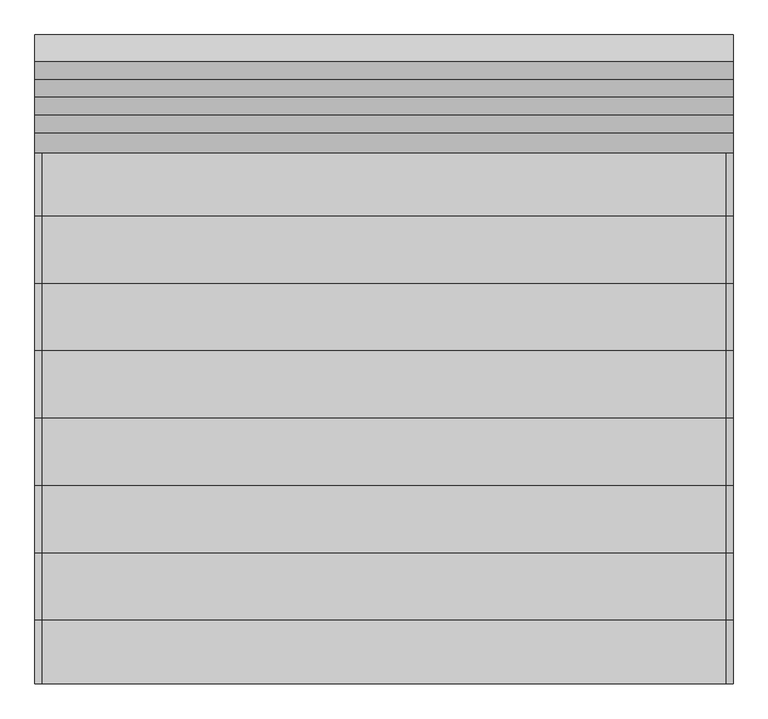
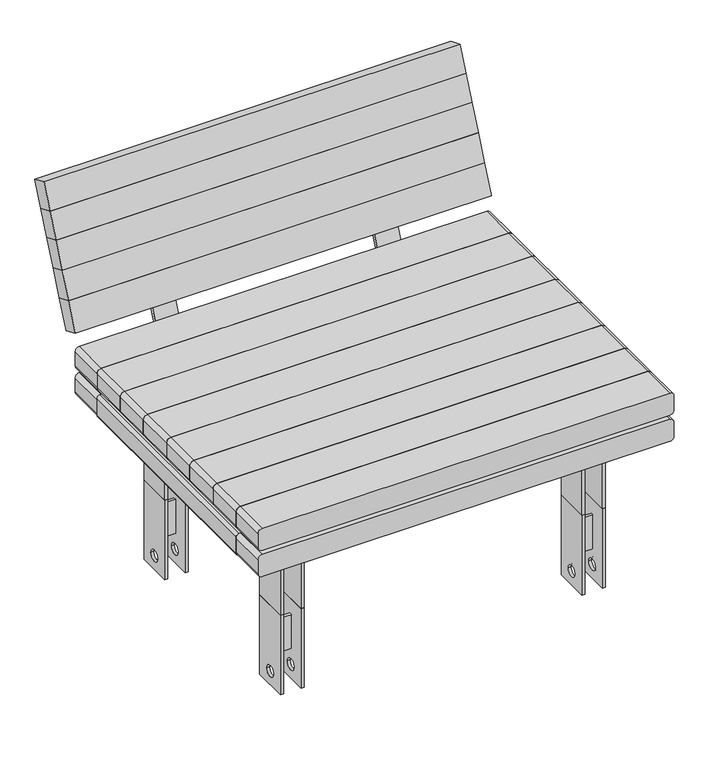
"""IFC4 building model written with IfcOpenShell, lengths in millimetres: furniture geometry."""

from ifc_helpers import new_model, si_unit, point, frame, frame_2d, origin, place, context, project, spatial, polyline, circle_curve, trimmed, segment, composite_curve, outline, extrude, source, transform, mapped, element, save


def furniture_a31cc09d(model_context):
    return source(origin(), model_context, "Body", "SweptSolid", [
        extrude(outline(composite_curve([segment(polyline([(748.3212957, 832.5994897), (702.296053, 852.1360461), (706.9848266, 863.1821043), (752.0895644, 844.036279)]), True, "CONTINUOUS"), segment(trimmed(circle_curve(frame_2d((747.0100597, 832.0697159)), 13.0), [point((752.0895644, 844.036279))], [point((758.9766228, 826.9902113))], False, "CARTESIAN"), True, "CONTINUOUS"), segment(polyline([(758.9766228, 826.9902113), (564.4903562, 368.80928)]), True, "CONTINUOUS"), segment(trimmed(circle_curve(frame_2d((543.3187446, 377.7960959)), 23.0), [point((564.4903562, 368.80928))], [point((543.3187446, 354.7960959))], False, "CARTESIAN"), True, "CONTINUOUS"), segment(polyline([(543.3187446, 354.7960959), (148.5421125, 354.7960959), (148.5421125, 366.7960959), (543.9806301, 366.7960959)]), True, "CONTINUOUS"), segment(trimmed(circle_curve(frame_2d((543.9806301, 376.7960959)), 10.0), [point((543.9806301, 366.7960959))], [point((553.1856787, 372.8887847))], True, "CARTESIAN"), True, "CONTINUOUS"), segment(polyline([(553.1856787, 372.8887847), (748.3212957, 832.5994897)]), True, "CONTINUOUS")], self_intersect=False)), frame((341.74, 0.0, 0.0), z_axis=(1.0, 0.0, 0.0), x_axis=(0.0, 1.0, 0.0)), (0.0, 0.0, 1.0), 80.0),
        extrude(outline(composite_curve([segment(polyline([(748.3212957, 832.5994897), (702.296053, 852.1360461), (706.9848266, 863.1821043), (752.0895644, 844.036279)]), True, "CONTINUOUS"), segment(trimmed(circle_curve(frame_2d((747.0100597, 832.0697159)), 13.0), [point((752.0895644, 844.036279))], [point((758.9766228, 826.9902113))], False, "CARTESIAN"), True, "CONTINUOUS"), segment(polyline([(758.9766228, 826.9902113), (564.4903562, 368.80928)]), True, "CONTINUOUS"), segment(trimmed(circle_curve(frame_2d((543.3187446, 377.7960959)), 23.0), [point((564.4903562, 368.80928))], [point((543.3187446, 354.7960959))], False, "CARTESIAN"), True, "CONTINUOUS"), segment(polyline([(543.3187446, 354.7960959), (148.5421125, 354.7960959), (148.5421125, 366.7960959), (543.9806301, 366.7960959)]), True, "CONTINUOUS"), segment(trimmed(circle_curve(frame_2d((543.9806301, 376.7960959)), 10.0), [point((543.9806301, 366.7960959))], [point((553.1856787, 372.8887847))], True, "CARTESIAN"), True, "CONTINUOUS"), segment(polyline([(553.1856787, 372.8887847), (748.3212957, 832.5994897)]), True, "CONTINUOUS")], self_intersect=False)), frame((-421.74, 0.0, 0.0), z_axis=(1.0, 0.0, 0.0), x_axis=(0.0, 1.0, 0.0)), (0.0, 0.0, 1.0), 80.0),
        extrude(outline(composite_curve([segment(trimmed(circle_curve(frame_2d((264.7960959, 477.689525)), 10.0), [point((264.7960959, 487.689525))], [point((274.7960959, 477.689525))], False, "CARTESIAN"), True, "CONTINUOUS"), segment(polyline([(274.7960959, 477.689525), (274.7960959, 437.641477), (264.9560959, 437.641477), (264.9560959, 477.849525), (0.0, 477.849525), (0.0, 487.689525), (264.7960959, 487.689525)]), True, "CONTINUOUS")], self_intersect=False)), frame((0.0, 283.5, 0.0), z_axis=(0.0, 1.0, 0.0), x_axis=(0.0, 0.0, 1.0)), (0.0, 0.0, 1.0), 123.0),
        extrude(outline(composite_curve([segment(polyline([(0.0, 558.145621), (264.9560959, 558.145621), (264.9560959, 598.3536689), (274.7960959, 598.3536689), (274.7960959, 558.305621)]), True, "CONTINUOUS"), segment(trimmed(circle_curve(frame_2d((264.7960959, 558.305621)), 10.0), [point((274.7960959, 558.305621))], [point((264.7960959, 548.305621))], False, "CARTESIAN"), True, "CONTINUOUS"), segment(polyline([(264.7960959, 548.305621), (0.0, 548.305621), (0.0, 558.145621)]), True, "CONTINUOUS")], self_intersect=False)), frame((0.0, 283.5, 0.0), z_axis=(0.0, 1.0, 0.0), x_axis=(0.0, 0.0, 1.0)), (0.0, 0.0, 1.0), 123.0),
        extrude(outline(composite_curve([segment(polyline([(264.7960959, -487.689525), (0.0, -487.689525), (0.0, -477.849525), (264.9560959, -477.849525), (264.9560959, -437.641477), (274.7960959, -437.641477), (274.7960959, -477.689525)]), True, "CONTINUOUS"), segment(trimmed(circle_curve(frame_2d((264.7960959, -477.689525)), 10.0), [point((274.7960959, -477.689525))], [point((264.7960959, -487.689525))], False, "CARTESIAN"), True, "CONTINUOUS")], self_intersect=False)), frame((0.0, 283.5, 0.0), z_axis=(0.0, 1.0, 0.0), x_axis=(0.0, 0.0, 1.0)), (0.0, 0.0, 1.0), 123.0),
        extrude(outline(composite_curve([segment(polyline([(0.0, -558.145621), (0.0, -548.305621), (264.7960959, -548.305621)]), True, "CONTINUOUS"), segment(trimmed(circle_curve(frame_2d((264.7960959, -558.305621)), 10.0), [point((264.7960959, -548.305621))], [point((274.7960959, -558.305621))], False, "CARTESIAN"), True, "CONTINUOUS"), segment(polyline([(274.7960959, -558.305621), (274.7960959, -598.3536689), (264.9560959, -598.3536689), (264.9560959, -558.145621), (0.0, -558.145621)]), True, "CONTINUOUS")], self_intersect=False)), frame((0.0, 283.5, 0.0), z_axis=(0.0, 1.0, 0.0), x_axis=(0.0, 0.0, 1.0)), (0.0, 0.0, 1.0), 123.0),
        extrude(outline(composite_curve([segment(trimmed(circle_curve(frame_2d((264.7960959, 477.689525)), 10.0), [point((264.7960959, 487.689525))], [point((274.7960959, 477.689525))], False, "CARTESIAN"), True, "CONTINUOUS"), segment(polyline([(274.7960959, 477.689525), (274.7960959, 437.641477), (264.9560959, 437.641477), (264.9560959, 477.849525), (0.0, 477.849525), (0.0, 487.689525), (264.7960959, 487.689525)]), True, "CONTINUOUS")], self_intersect=False)), frame((0.0, -406.5, 0.0), z_axis=(0.0, 1.0, 0.0), x_axis=(0.0, 0.0, 1.0)), (0.0, 0.0, 1.0), 123.0),
        extrude(outline(composite_curve([segment(polyline([(0.0, 558.145621), (264.9560959, 558.145621), (264.9560959, 598.3536689), (274.7960959, 598.3536689), (274.7960959, 558.305621)]), True, "CONTINUOUS"), segment(trimmed(circle_curve(frame_2d((264.7960959, 558.305621)), 10.0), [point((274.7960959, 558.305621))], [point((264.7960959, 548.305621))], False, "CARTESIAN"), True, "CONTINUOUS"), segment(polyline([(264.7960959, 548.305621), (0.0, 548.305621), (0.0, 558.145621)]), True, "CONTINUOUS")], self_intersect=False)), frame((0.0, -406.5, 0.0), z_axis=(0.0, 1.0, 0.0), x_axis=(0.0, 0.0, 1.0)), (0.0, 0.0, 1.0), 123.0),
        extrude(outline(composite_curve([segment(polyline([(344.7960959, 333.61), (284.7960959, 333.61)]), True, "CONTINUOUS"), segment(trimmed(circle_curve(frame_2d((284.7960959, 343.61)), 10.0), [point((284.7960959, 333.61))], [point((274.7960959, 343.61))], False, "CARTESIAN"), True, "CONTINUOUS"), segment(polyline([(274.7960959, 343.61), (274.7960959, 705.0)]), True, "CONTINUOUS"), segment(trimmed(circle_curve(frame_2d((284.7960959, 705.0)), 10.0), [point((274.7960959, 705.0))], [point((284.7960959, 715.0))], False, "CARTESIAN"), True, "CONTINUOUS"), segment(polyline([(284.7960959, 715.0), (344.7960959, 715.0)]), True, "CONTINUOUS"), segment(trimmed(circle_curve(frame_2d((344.7960959, 705.0)), 10.0), [point((344.7960959, 715.0))], [point((354.7960959, 705.0))], False, "CARTESIAN"), True, "CONTINUOUS"), segment(polyline([(354.7960959, 705.0), (354.7960959, 343.61)]), True, "CONTINUOUS"), segment(trimmed(circle_curve(frame_2d((344.7960959, 343.61)), 10.0), [point((354.7960959, 343.61))], [point((344.7960959, 333.61))], False, "CARTESIAN"), True, "CONTINUOUS")], self_intersect=False)), frame((0.0, -414.0, 0.0), z_axis=(0.0, 1.0, 0.0), x_axis=(0.0, 0.0, 1.0)), (0.0, 0.0, 1.0), 828.0),
        extrude(outline(composite_curve([segment(polyline([(264.7960959, -487.689525), (0.0, -487.689525), (0.0, -477.849525), (264.9560959, -477.849525), (264.9560959, -437.641477), (274.7960959, -437.641477), (274.7960959, -477.689525)]), True, "CONTINUOUS"), segment(trimmed(circle_curve(frame_2d((264.7960959, -477.689525)), 10.0), [point((274.7960959, -477.689525))], [point((264.7960959, -487.689525))], False, "CARTESIAN"), True, "CONTINUOUS")], self_intersect=False)), frame((0.0, -406.5, 0.0), z_axis=(0.0, 1.0, 0.0), x_axis=(0.0, 0.0, 1.0)), (0.0, 0.0, 1.0), 123.0),
        extrude(outline(composite_curve([segment(polyline([(0.0, -558.145621), (0.0, -548.305621), (264.7960959, -548.305621)]), True, "CONTINUOUS"), segment(trimmed(circle_curve(frame_2d((264.7960959, -558.305621)), 10.0), [point((264.7960959, -548.305621))], [point((274.7960959, -558.305621))], False, "CARTESIAN"), True, "CONTINUOUS"), segment(polyline([(274.7960959, -558.305621), (274.7960959, -598.3536689), (264.9560959, -598.3536689), (264.9560959, -558.145621), (0.0, -558.145621)]), True, "CONTINUOUS")], self_intersect=False)), frame((0.0, -406.5, 0.0), z_axis=(0.0, 1.0, 0.0), x_axis=(0.0, 0.0, 1.0)), (0.0, 0.0, 1.0), 123.0),
        extrude(outline(composite_curve([segment(trimmed(circle_curve(frame_2d((344.7960959, -343.61)), 10.0), [point((344.7960959, -333.61))], [point((354.7960959, -343.61))], False, "CARTESIAN"), True, "CONTINUOUS"), segment(polyline([(354.7960959, -343.61), (354.7960959, -705.0)]), True, "CONTINUOUS"), segment(trimmed(circle_curve(frame_2d((344.7960959, -705.0)), 10.0), [point((354.7960959, -705.0))], [point((344.7960959, -715.0))], False, "CARTESIAN"), True, "CONTINUOUS"), segment(polyline([(344.7960959, -715.0), (284.7960959, -715.0)]), True, "CONTINUOUS"), segment(trimmed(circle_curve(frame_2d((284.7960959, -705.0)), 10.0), [point((284.7960959, -715.0))], [point((274.7960959, -705.0))], False, "CARTESIAN"), True, "CONTINUOUS"), segment(polyline([(274.7960959, -705.0), (274.7960959, -343.61)]), True, "CONTINUOUS"), segment(trimmed(circle_curve(frame_2d((284.7960959, -343.61)), 10.0), [point((274.7960959, -343.61))], [point((284.7960959, -333.61))], False, "CARTESIAN"), True, "CONTINUOUS"), segment(polyline([(284.7960959, -333.61), (344.7960959, -333.61)]), True, "CONTINUOUS")], self_intersect=False)), frame((0.0, -414.0, 0.0), z_axis=(0.0, 1.0, 0.0), x_axis=(0.0, 0.0, 1.0)), (0.0, 0.0, 1.0), 828.0),
        extrude(outline(polyline([(0.0, -1430.0), (0.0, 0.0), (60.0, 0.0), (60.0, -1430.0), (0.0, -1430.0)])), frame((-715.0, 693.0910045, 856.0433574), z_axis=(0.0, 0.39073112848927966, 0.9205048534524378), x_axis=(0.0, 0.9205048534524378, -0.39073112848927966)), (0.0, 0.0, 1.0), 91.5133528),
        extrude(outline(polyline([(0.0, -1430.0), (0.0, 0.0), (60.0, 0.0), (60.0, -1430.0), (0.0, -1430.0)])), frame((-715.0, 657.5396892, 772.2897071), z_axis=(0.0, 0.39073112848927966, 0.9205048534524378), x_axis=(0.0, 0.9205048534524378, -0.39073112848927966)), (0.0, 0.0, 1.0), 90.9866472),
        extrude(outline(polyline([(0.0, -1430.0), (0.0, 0.0), (60.0, 0.0), (60.0, -1430.0), (0.0, -1430.0)])), frame((-715.0, 620.420232, 684.841746), z_axis=(0.0, 0.39073112848927966, 0.9205048534524378), x_axis=(0.0, 0.9205048534524378, -0.39073112848927966)), (0.0, 0.0, 1.0), 95.0),
        extrude(outline(polyline([(0.0, -1430.0), (0.0, 0.0), (60.0000001, 0.0), (60.0000001, -1430.0), (0.0, -1430.0)])), frame((-715.0, 583.3007747, 597.3937849), z_axis=(0.0, 0.39073112848928065, 0.9205048534524375), x_axis=(0.0, 0.9205048534524375, -0.39073112848928065)), (0.0, 0.0, 1.0), 95.0),
        extrude(outline(polyline([(0.0, -1430.0), (0.0, 0.0), (60.0000001, 0.0), (60.0000001, -1430.0), (0.0, -1430.0)])), frame((-715.0, 543.2564722, 503.0553201), z_axis=(0.0, 0.39073112848928065, 0.9205048534524375), x_axis=(0.0, 0.9205048534524375, -0.39073112848928065)), (0.0, 0.0, 1.0), 102.4855702),
        extrude(outline(composite_curve([segment(polyline([(354.7960959, 700.0), (354.7960959, -700.0)]), True, "CONTINUOUS"), segment(trimmed(circle_curve(frame_2d((339.7960959, -700.0)), 15.0), [point((354.7960959, -700.0))], [point((339.7960959, -715.0))], False, "CARTESIAN"), True, "CONTINUOUS"), segment(polyline([(339.7960959, -715.0), (289.7960959, -715.0)]), True, "CONTINUOUS"), segment(trimmed(circle_curve(frame_2d((289.7960959, -700.0)), 15.0), [point((289.7960959, -715.0))], [point((274.7960959, -700.0))], False, "CARTESIAN"), True, "CONTINUOUS"), segment(polyline([(274.7960959, -700.0), (274.7960959, 700.0)]), True, "CONTINUOUS"), segment(trimmed(circle_curve(frame_2d((289.7960959, 700.0)), 15.0), [point((274.7960959, 700.0))], [point((289.7960959, 715.0))], False, "CARTESIAN"), True, "CONTINUOUS"), segment(polyline([(289.7960959, 715.0), (339.7960959, 715.0)]), True, "CONTINUOUS"), segment(trimmed(circle_curve(frame_2d((339.7960959, 700.0)), 15.0), [point((339.7960959, 715.0))], [point((354.7960959, 700.0))], False, "CARTESIAN"), True, "CONTINUOUS")], self_intersect=False)), frame((0.0, 414.0, 0.0), z_axis=(0.0, 1.0, 0.0), x_axis=(0.0, 0.0, 1.0)), (0.0, 0.0, 1.0), 130.5),
        extrude(outline(composite_curve([segment(polyline([(449.7960959, 700.0), (449.7960959, -700.0)]), True, "CONTINUOUS"), segment(trimmed(circle_curve(frame_2d((434.7960959, -700.0)), 15.0), [point((449.7960959, -700.0))], [point((434.7960959, -715.0))], False, "CARTESIAN"), True, "CONTINUOUS"), segment(polyline([(434.7960959, -715.0), (384.7960959, -715.0)]), True, "CONTINUOUS"), segment(trimmed(circle_curve(frame_2d((384.7960959, -700.0)), 15.0), [point((384.7960959, -715.0))], [point((369.7960959, -700.0))], False, "CARTESIAN"), True, "CONTINUOUS"), segment(polyline([(369.7960959, -700.0), (369.7960959, 700.0)]), True, "CONTINUOUS"), segment(trimmed(circle_curve(frame_2d((384.7960959, 700.0)), 15.0), [point((369.7960959, 700.0))], [point((384.7960959, 715.0))], False, "CARTESIAN"), True, "CONTINUOUS"), segment(polyline([(384.7960959, 715.0), (434.7960959, 715.0)]), True, "CONTINUOUS"), segment(trimmed(circle_curve(frame_2d((434.7960959, 700.0)), 15.0), [point((434.7960959, 715.0))], [point((449.7960959, 700.0))], False, "CARTESIAN"), True, "CONTINUOUS")], self_intersect=False)), frame((0.0, 414.0, 0.0), z_axis=(0.0, 1.0, 0.0), x_axis=(0.0, 0.0, 1.0)), (0.0, 0.0, 1.0), 130.5),
        extrude(outline(composite_curve([segment(polyline([(449.7960959, 700.0), (449.7960959, -700.0)]), True, "CONTINUOUS"), segment(trimmed(circle_curve(frame_2d((434.7960959, -700.0)), 15.0), [point((449.7960959, -700.0))], [point((434.7960959, -715.0))], False, "CARTESIAN"), True, "CONTINUOUS"), segment(polyline([(434.7960959, -715.0), (384.7960959, -715.0)]), True, "CONTINUOUS"), segment(trimmed(circle_curve(frame_2d((384.7960959, -700.0)), 15.0), [point((384.7960959, -715.0))], [point((369.7960959, -700.0))], False, "CARTESIAN"), True, "CONTINUOUS"), segment(polyline([(369.7960959, -700.0), (369.7960959, 700.0)]), True, "CONTINUOUS"), segment(trimmed(circle_curve(frame_2d((384.7960959, 700.0)), 15.0), [point((369.7960959, 700.0))], [point((384.7960959, 715.0))], False, "CARTESIAN"), True, "CONTINUOUS"), segment(polyline([(384.7960959, 715.0), (434.7960959, 715.0)]), True, "CONTINUOUS"), segment(trimmed(circle_curve(frame_2d((434.7960959, 700.0)), 15.0), [point((434.7960959, 715.0))], [point((449.7960959, 700.0))], False, "CARTESIAN"), True, "CONTINUOUS")], self_intersect=False)), frame((0.0, 276.0, 0.0), z_axis=(0.0, 1.0, 0.0), x_axis=(0.0, 0.0, 1.0)), (0.0, 0.0, 1.0), 138.0),
        extrude(outline(composite_curve([segment(polyline([(449.7960959, 700.0), (449.7960959, -700.0)]), True, "CONTINUOUS"), segment(trimmed(circle_curve(frame_2d((434.7960959, -700.0)), 15.0), [point((449.7960959, -700.0))], [point((434.7960959, -715.0))], False, "CARTESIAN"), True, "CONTINUOUS"), segment(polyline([(434.7960959, -715.0), (384.7960959, -715.0)]), True, "CONTINUOUS"), segment(trimmed(circle_curve(frame_2d((384.7960959, -700.0)), 15.0), [point((384.7960959, -715.0))], [point((369.7960959, -700.0))], False, "CARTESIAN"), True, "CONTINUOUS"), segment(polyline([(369.7960959, -700.0), (369.7960959, 700.0)]), True, "CONTINUOUS"), segment(trimmed(circle_curve(frame_2d((384.7960959, 700.0)), 15.0), [point((369.7960959, 700.0))], [point((384.7960959, 715.0))], False, "CARTESIAN"), True, "CONTINUOUS"), segment(polyline([(384.7960959, 715.0), (434.7960959, 715.0)]), True, "CONTINUOUS"), segment(trimmed(circle_curve(frame_2d((434.7960959, 700.0)), 15.0), [point((434.7960959, 715.0))], [point((449.7960959, 700.0))], False, "CARTESIAN"), True, "CONTINUOUS")], self_intersect=False)), frame((0.0, 138.0, 0.0), z_axis=(0.0, 1.0, 0.0), x_axis=(0.0, 0.0, 1.0)), (0.0, 0.0, 1.0), 138.0),
        extrude(outline(composite_curve([segment(polyline([(449.7960959, 700.0), (449.7960959, -700.0)]), True, "CONTINUOUS"), segment(trimmed(circle_curve(frame_2d((434.7960959, -700.0)), 15.0), [point((449.7960959, -700.0))], [point((434.7960959, -715.0))], False, "CARTESIAN"), True, "CONTINUOUS"), segment(polyline([(434.7960959, -715.0), (384.7960959, -715.0)]), True, "CONTINUOUS"), segment(trimmed(circle_curve(frame_2d((384.7960959, -700.0)), 15.0), [point((384.7960959, -715.0))], [point((369.7960959, -700.0))], False, "CARTESIAN"), True, "CONTINUOUS"), segment(polyline([(369.7960959, -700.0), (369.7960959, 700.0)]), True, "CONTINUOUS"), segment(trimmed(circle_curve(frame_2d((384.7960959, 700.0)), 15.0), [point((369.7960959, 700.0))], [point((384.7960959, 715.0))], False, "CARTESIAN"), True, "CONTINUOUS"), segment(polyline([(384.7960959, 715.0), (434.7960959, 715.0)]), True, "CONTINUOUS"), segment(trimmed(circle_curve(frame_2d((434.7960959, 700.0)), 15.0), [point((434.7960959, 715.0))], [point((449.7960959, 700.0))], False, "CARTESIAN"), True, "CONTINUOUS")], self_intersect=False)), frame((0.0, 0.0, 0.0), z_axis=(0.0, 1.0, 0.0), x_axis=(0.0, 0.0, 1.0)), (0.0, 0.0, 1.0), 138.0),
        extrude(outline(composite_curve([segment(polyline([(449.7960959, 700.0), (449.7960959, -700.0)]), True, "CONTINUOUS"), segment(trimmed(circle_curve(frame_2d((434.7960959, -700.0)), 15.0), [point((449.7960959, -700.0))], [point((434.7960959, -715.0))], False, "CARTESIAN"), True, "CONTINUOUS"), segment(polyline([(434.7960959, -715.0), (384.7960959, -715.0)]), True, "CONTINUOUS"), segment(trimmed(circle_curve(frame_2d((384.7960959, -700.0)), 15.0), [point((384.7960959, -715.0))], [point((369.7960959, -700.0))], False, "CARTESIAN"), True, "CONTINUOUS"), segment(polyline([(369.7960959, -700.0), (369.7960959, 700.0)]), True, "CONTINUOUS"), segment(trimmed(circle_curve(frame_2d((384.7960959, 700.0)), 15.0), [point((369.7960959, 700.0))], [point((384.7960959, 715.0))], False, "CARTESIAN"), True, "CONTINUOUS"), segment(polyline([(384.7960959, 715.0), (434.7960959, 715.0)]), True, "CONTINUOUS"), segment(trimmed(circle_curve(frame_2d((434.7960959, 700.0)), 15.0), [point((434.7960959, 715.0))], [point((449.7960959, 700.0))], False, "CARTESIAN"), True, "CONTINUOUS")], self_intersect=False)), frame((0.0, -138.0, 0.0), z_axis=(0.0, 1.0, 0.0), x_axis=(0.0, 0.0, 1.0)), (0.0, 0.0, 1.0), 138.0),
        extrude(outline(composite_curve([segment(polyline([(449.7960959, 700.0), (449.7960959, -700.0)]), True, "CONTINUOUS"), segment(trimmed(circle_curve(frame_2d((434.7960959, -700.0)), 15.0), [point((449.7960959, -700.0))], [point((434.7960959, -715.0))], False, "CARTESIAN"), True, "CONTINUOUS"), segment(polyline([(434.7960959, -715.0), (384.7960959, -715.0)]), True, "CONTINUOUS"), segment(trimmed(circle_curve(frame_2d((384.7960959, -700.0)), 15.0), [point((384.7960959, -715.0))], [point((369.7960959, -700.0))], False, "CARTESIAN"), True, "CONTINUOUS"), segment(polyline([(369.7960959, -700.0), (369.7960959, 700.0)]), True, "CONTINUOUS"), segment(trimmed(circle_curve(frame_2d((384.7960959, 700.0)), 15.0), [point((369.7960959, 700.0))], [point((384.7960959, 715.0))], False, "CARTESIAN"), True, "CONTINUOUS"), segment(polyline([(384.7960959, 715.0), (434.7960959, 715.0)]), True, "CONTINUOUS"), segment(trimmed(circle_curve(frame_2d((434.7960959, 700.0)), 15.0), [point((434.7960959, 715.0))], [point((449.7960959, 700.0))], False, "CARTESIAN"), True, "CONTINUOUS")], self_intersect=False)), frame((0.0, -276.0, 0.0), z_axis=(0.0, 1.0, 0.0), x_axis=(0.0, 0.0, 1.0)), (0.0, 0.0, 1.0), 138.0),
        extrude(outline(composite_curve([segment(polyline([(449.7960959, 700.0), (449.7960959, -700.0)]), True, "CONTINUOUS"), segment(trimmed(circle_curve(frame_2d((434.7960959, -700.0)), 15.0), [point((449.7960959, -700.0))], [point((434.7960959, -715.0))], False, "CARTESIAN"), True, "CONTINUOUS"), segment(polyline([(434.7960959, -715.0), (384.7960959, -715.0)]), True, "CONTINUOUS"), segment(trimmed(circle_curve(frame_2d((384.7960959, -700.0)), 15.0), [point((384.7960959, -715.0))], [point((369.7960959, -700.0))], False, "CARTESIAN"), True, "CONTINUOUS"), segment(polyline([(369.7960959, -700.0), (369.7960959, 700.0)]), True, "CONTINUOUS"), segment(trimmed(circle_curve(frame_2d((384.7960959, 700.0)), 15.0), [point((369.7960959, 700.0))], [point((384.7960959, 715.0))], False, "CARTESIAN"), True, "CONTINUOUS"), segment(polyline([(384.7960959, 715.0), (434.7960959, 715.0)]), True, "CONTINUOUS"), segment(trimmed(circle_curve(frame_2d((434.7960959, 700.0)), 15.0), [point((434.7960959, 715.0))], [point((449.7960959, 700.0))], False, "CARTESIAN"), True, "CONTINUOUS")], self_intersect=False)), frame((0.0, -414.0, 0.0), z_axis=(0.0, 1.0, 0.0), x_axis=(0.0, 0.0, 1.0)), (0.0, 0.0, 1.0), 138.0),
        extrude(outline(composite_curve([segment(polyline([(354.7960959, 700.0), (354.7960959, -700.0)]), True, "CONTINUOUS"), segment(trimmed(circle_curve(frame_2d((339.7960959, -700.0)), 15.0), [point((354.7960959, -700.0))], [point((339.7960959, -715.0))], False, "CARTESIAN"), True, "CONTINUOUS"), segment(polyline([(339.7960959, -715.0), (289.7960959, -715.0)]), True, "CONTINUOUS"), segment(trimmed(circle_curve(frame_2d((289.7960959, -700.0)), 15.0), [point((289.7960959, -715.0))], [point((274.7960959, -700.0))], False, "CARTESIAN"), True, "CONTINUOUS"), segment(polyline([(274.7960959, -700.0), (274.7960959, 700.0)]), True, "CONTINUOUS"), segment(trimmed(circle_curve(frame_2d((289.7960959, 700.0)), 15.0), [point((274.7960959, 700.0))], [point((289.7960959, 715.0))], False, "CARTESIAN"), True, "CONTINUOUS"), segment(polyline([(289.7960959, 715.0), (339.7960959, 715.0)]), True, "CONTINUOUS"), segment(trimmed(circle_curve(frame_2d((339.7960959, 700.0)), 15.0), [point((339.7960959, 715.0))], [point((354.7960959, 700.0))], False, "CARTESIAN"), True, "CONTINUOUS")], self_intersect=False)), frame((0.0, -544.5, 0.0), z_axis=(0.0, 1.0, 0.0), x_axis=(0.0, 0.0, 1.0)), (0.0, 0.0, 1.0), 130.5),
        extrude(outline(composite_curve([segment(polyline([(449.7960959, 700.0), (449.7960959, -700.0)]), True, "CONTINUOUS"), segment(trimmed(circle_curve(frame_2d((434.7960959, -700.0)), 15.0), [point((449.7960959, -700.0))], [point((434.7960959, -715.0))], False, "CARTESIAN"), True, "CONTINUOUS"), segment(polyline([(434.7960959, -715.0), (384.7960959, -715.0)]), True, "CONTINUOUS"), segment(trimmed(circle_curve(frame_2d((384.7960959, -700.0)), 15.0), [point((384.7960959, -715.0))], [point((369.7960959, -700.0))], False, "CARTESIAN"), True, "CONTINUOUS"), segment(polyline([(369.7960959, -700.0), (369.7960959, 700.0)]), True, "CONTINUOUS"), segment(trimmed(circle_curve(frame_2d((384.7960959, 700.0)), 15.0), [point((369.7960959, 700.0))], [point((384.7960959, 715.0))], False, "CARTESIAN"), True, "CONTINUOUS"), segment(polyline([(384.7960959, 715.0), (434.7960959, 715.0)]), True, "CONTINUOUS"), segment(trimmed(circle_curve(frame_2d((434.7960959, 700.0)), 15.0), [point((434.7960959, 715.0))], [point((449.7960959, 700.0))], False, "CARTESIAN"), True, "CONTINUOUS")], self_intersect=False)), frame((0.0, -544.5, 0.0), z_axis=(0.0, 1.0, 0.0), x_axis=(0.0, 0.0, 1.0)), (0.0, 0.0, 1.0), 130.5),
        extrude(outline(polyline([(487.645621, 349.72), (548.305621, 349.72), (548.305621, 339.88), (487.645621, 339.88), (487.645621, 349.72)])), frame((0.0, 0.0, -179.4936681), z_axis=(0.0, 0.0, 1.0), x_axis=(1.0, 0.0, 0.0)), (0.0, 0.0, 1.0), 123.0),
        extrude(outline(polyline([(406.5, 0.0), (406.5, -289.1936681), (283.5, -289.1936681), (283.5, 0.0), (406.5, 0.0)]), holes=[composite_curve([segment(trimmed(circle_curve(frame_2d((345.0206592, -239.1282047)), 20.0), [point((325.0206592, -239.1282047))], [point((365.0206592, -239.1282047))], True, "CARTESIAN"), True, "CONTINUOUS"), segment(trimmed(circle_curve(frame_2d((345.0206592, -239.1282047)), 20.0), [point((365.0206592, -239.1282047))], [point((325.0206592, -239.1282047))], True, "CARTESIAN"), True, "CONTINUOUS")], self_intersect=False)]), frame((477.805621, 0.0, 0.0), z_axis=(1.0, 0.0, 0.0), x_axis=(0.0, 1.0, 0.0)), (0.0, 0.0, 1.0), 9.84),
        extrude(outline(polyline([(406.5, 0.0), (406.5, -289.1936681), (283.5, -289.1936681), (283.5, 0.0), (406.5, 0.0)]), holes=[composite_curve([segment(trimmed(circle_curve(frame_2d((345.0206592, -239.1282047)), 20.0), [point((325.0206592, -239.1282047))], [point((365.0206592, -239.1282047))], True, "CARTESIAN"), True, "CONTINUOUS"), segment(trimmed(circle_curve(frame_2d((345.0206592, -239.1282047)), 20.0), [point((365.0206592, -239.1282047))], [point((325.0206592, -239.1282047))], True, "CARTESIAN"), True, "CONTINUOUS")], self_intersect=False)]), frame((548.305621, 0.0, 0.0), z_axis=(1.0, 0.0, 0.0), x_axis=(0.0, 1.0, 0.0)), (0.0, 0.0, 1.0), 9.84),
        extrude(outline(polyline([(-548.305621, 349.72), (-487.645621, 349.72), (-487.645621, 339.88), (-548.305621, 339.88), (-548.305621, 349.72)])), frame((0.0, 0.0, -179.4936681), z_axis=(0.0, 0.0, 1.0), x_axis=(1.0, 0.0, 0.0)), (0.0, 0.0, 1.0), 123.0),
        extrude(outline(polyline([(406.5, 0.0), (406.5, -289.1936681), (283.5, -289.1936681), (283.5, 0.0), (406.5, 0.0)]), holes=[composite_curve([segment(trimmed(circle_curve(frame_2d((345.0206592, -239.1282047)), 20.0), [point((325.0206592, -239.1282047))], [point((365.0206592, -239.1282047))], True, "CARTESIAN"), True, "CONTINUOUS"), segment(trimmed(circle_curve(frame_2d((345.0206592, -239.1282047)), 20.0), [point((365.0206592, -239.1282047))], [point((325.0206592, -239.1282047))], True, "CARTESIAN"), True, "CONTINUOUS")], self_intersect=False)]), frame((-487.645621, 0.0, 0.0), z_axis=(1.0, 0.0, 0.0), x_axis=(0.0, 1.0, 0.0)), (0.0, 0.0, 1.0), 9.84),
        extrude(outline(polyline([(406.5, 0.0), (406.5, -289.1936681), (283.5, -289.1936681), (283.5, 0.0), (406.5, 0.0)]), holes=[composite_curve([segment(trimmed(circle_curve(frame_2d((345.0206592, -239.1282047)), 20.0), [point((325.0206592, -239.1282047))], [point((365.0206592, -239.1282047))], True, "CARTESIAN"), True, "CONTINUOUS"), segment(trimmed(circle_curve(frame_2d((345.0206592, -239.1282047)), 20.0), [point((365.0206592, -239.1282047))], [point((325.0206592, -239.1282047))], True, "CARTESIAN"), True, "CONTINUOUS")], self_intersect=False)]), frame((-558.145621, 0.0, 0.0), z_axis=(1.0, 0.0, 0.0), x_axis=(0.0, 1.0, 0.0)), (0.0, 0.0, 1.0), 9.84),
        extrude(outline(polyline([(548.305621, -349.72), (487.645621, -349.72), (487.645621, -339.88), (548.305621, -339.88), (548.305621, -349.72)])), frame((0.0, 0.0, -179.4936681), z_axis=(0.0, 0.0, 1.0), x_axis=(1.0, 0.0, 0.0)), (0.0, 0.0, 1.0), 123.0),
        extrude(outline(polyline([(-406.5, 0.0), (-283.5, 0.0), (-283.5, -289.1936681), (-406.5, -289.1936681), (-406.5, 0.0)]), holes=[composite_curve([segment(trimmed(circle_curve(frame_2d((-345.0206592, -239.1282047)), 20.0), [point((-325.0206592, -239.1282047))], [point((-365.0206592, -239.1282047))], True, "CARTESIAN"), True, "CONTINUOUS"), segment(trimmed(circle_curve(frame_2d((-345.0206592, -239.1282047)), 20.0), [point((-365.0206592, -239.1282047))], [point((-325.0206592, -239.1282047))], True, "CARTESIAN"), True, "CONTINUOUS")], self_intersect=False)]), frame((477.805621, 0.0, 0.0), z_axis=(1.0, 0.0, 0.0), x_axis=(0.0, 1.0, 0.0)), (0.0, 0.0, 1.0), 9.84),
        extrude(outline(polyline([(-406.5, 0.0), (-283.5, 0.0), (-283.5, -289.1936681), (-406.5, -289.1936681), (-406.5, 0.0)]), holes=[composite_curve([segment(trimmed(circle_curve(frame_2d((-345.0206592, -239.1282047)), 20.0), [point((-325.0206592, -239.1282047))], [point((-365.0206592, -239.1282047))], True, "CARTESIAN"), True, "CONTINUOUS"), segment(trimmed(circle_curve(frame_2d((-345.0206592, -239.1282047)), 20.0), [point((-365.0206592, -239.1282047))], [point((-325.0206592, -239.1282047))], True, "CARTESIAN"), True, "CONTINUOUS")], self_intersect=False)]), frame((548.305621, 0.0, 0.0), z_axis=(1.0, 0.0, 0.0), x_axis=(0.0, 1.0, 0.0)), (0.0, 0.0, 1.0), 9.84),
        extrude(outline(polyline([(-487.645621, -349.72), (-548.305621, -349.72), (-548.305621, -339.88), (-487.645621, -339.88), (-487.645621, -349.72)])), frame((0.0, 0.0, -179.4936681), z_axis=(0.0, 0.0, 1.0), x_axis=(1.0, 0.0, 0.0)), (0.0, 0.0, 1.0), 123.0),
        extrude(outline(polyline([(-406.5, 0.0), (-283.5, 0.0), (-283.5, -289.1936681), (-406.5, -289.1936681), (-406.5, 0.0)]), holes=[composite_curve([segment(trimmed(circle_curve(frame_2d((-345.0206592, -239.1282047)), 20.0), [point((-325.0206592, -239.1282047))], [point((-365.0206592, -239.1282047))], True, "CARTESIAN"), True, "CONTINUOUS"), segment(trimmed(circle_curve(frame_2d((-345.0206592, -239.1282047)), 20.0), [point((-365.0206592, -239.1282047))], [point((-325.0206592, -239.1282047))], True, "CARTESIAN"), True, "CONTINUOUS")], self_intersect=False)]), frame((-487.645621, 0.0, 0.0), z_axis=(1.0, 0.0, 0.0), x_axis=(0.0, 1.0, 0.0)), (0.0, 0.0, 1.0), 9.84),
        extrude(outline(polyline([(-406.5, 0.0), (-283.5, 0.0), (-283.5, -289.1936681), (-406.5, -289.1936681), (-406.5, 0.0)]), holes=[composite_curve([segment(trimmed(circle_curve(frame_2d((-345.0206592, -239.1282047)), 20.0), [point((-325.0206592, -239.1282047))], [point((-365.0206592, -239.1282047))], True, "CARTESIAN"), True, "CONTINUOUS"), segment(trimmed(circle_curve(frame_2d((-345.0206592, -239.1282047)), 20.0), [point((-365.0206592, -239.1282047))], [point((-325.0206592, -239.1282047))], True, "CARTESIAN"), True, "CONTINUOUS")], self_intersect=False)]), frame((-558.145621, 0.0, 0.0), z_axis=(1.0, 0.0, 0.0), x_axis=(0.0, 1.0, 0.0)), (0.0, 0.0, 1.0), 9.84),
    ])


if __name__ == "__main__":
    model = new_model("IFC4")
    model_context = context("Model", 3, world=origin())
    ifc_project = project(units=[si_unit("LENGTHUNIT", "METRE", prefix="MILLI")], contexts=[model_context])
    site = spatial("IfcSite", under=ifc_project)
    building = spatial("IfcBuilding", under=site)
    placement = place(None, origin())
    furniture_shape = furniture_a31cc09d(model_context)
    element("IfcFurniture", 1, at=placement, inside=building, context=model_context, shape_type="MappedRepresentation", body=[
        mapped(furniture_shape, transform((0.0, 0.0, 0.0), x_axis=(1.0, 0.0, 0.0), y_axis=(0.0, 1.0, 0.0), z_axis=(0.0, 0.0, 1.0))),
    ])
    save(model, "model.ifc")
